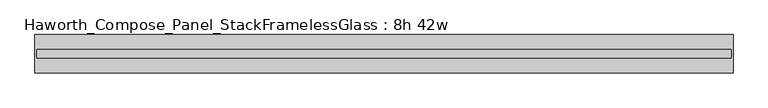
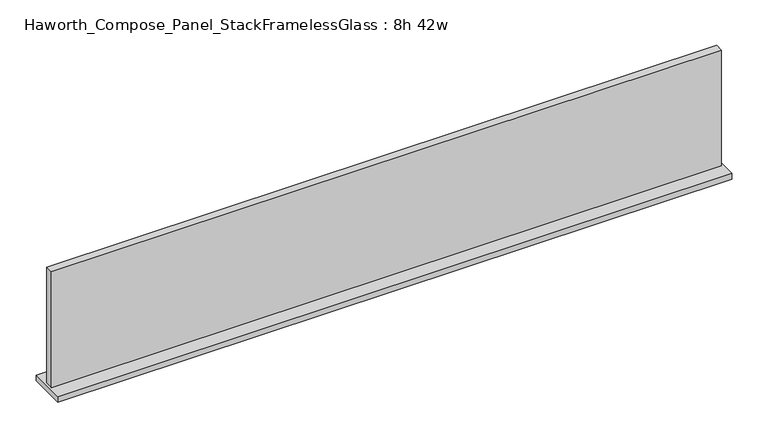
"""IFC4 building model written with IfcOpenShell, lengths in millimetres: furniture geometry, Haworth_Compose_Panel_StackFramelessGlass : 8h 42w."""

from ifc_helpers import new_model, si_unit, frame, origin, place, context, project, spatial, polyline, outline, extrude, source, transform, mapped, element, save


def haworth_compose_panel_stackframelessglass_8h_42w_0cdf6300(model_context):
    return source(origin(), model_context, "Body", "SweptSolid", [
        extrude(outline(polyline([(532.6652902, -27.3093594), (-527.7847098, -27.3093594), (-527.7847098, -14.6093594), (532.6652902, -14.6093594), (532.6652902, -27.3093594)])), frame((0.0, 0.0, 1279.525), z_axis=(0.0, 0.0, 1.0), x_axis=(1.0, 0.0, 0.0)), (0.0, 0.0, 1.0), 193.675),
        extrude(outline(polyline([(-530.9597098, -50.3281094), (-530.9597098, 8.4093906), (535.8402902, 8.4093906), (535.8402902, -50.3281094), (-530.9597098, -50.3281094)])), frame((0.0, 0.0, 1270.0), z_axis=(0.0, 0.0, 1.0), x_axis=(1.0, 0.0, 0.0)), (0.0, 0.0, 1.0), 9.525),
    ])


if __name__ == "__main__":
    model = new_model("IFC4")
    model_context = context("Model", 3, world=origin())
    ifc_project = project(units=[si_unit("LENGTHUNIT", "METRE", prefix="MILLI")], contexts=[model_context])
    site = spatial("IfcSite", under=ifc_project)
    building = spatial("IfcBuilding", under=site)
    placement = place(None, origin())
    haworth_compose_panel_stackframelessglass_8h_42w_shape = haworth_compose_panel_stackframelessglass_8h_42w_0cdf6300(model_context)
    element("IfcFurniture", 1, ObjectType="Haworth_Compose_Panel_StackFramelessGlass : 8h 42w", at=placement, inside=building, context=model_context, shape_type="MappedRepresentation", body=[
        mapped(haworth_compose_panel_stackframelessglass_8h_42w_shape, transform((0.0, 0.0, 0.0), x_axis=(1.0, 0.0, 0.0), y_axis=(0.0, 1.0, 0.0), z_axis=(0.0, 0.0, 1.0))),
    ])
    save(model, "model.ifc")
